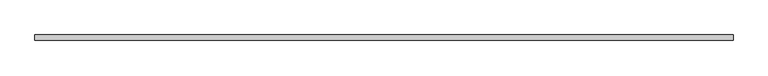
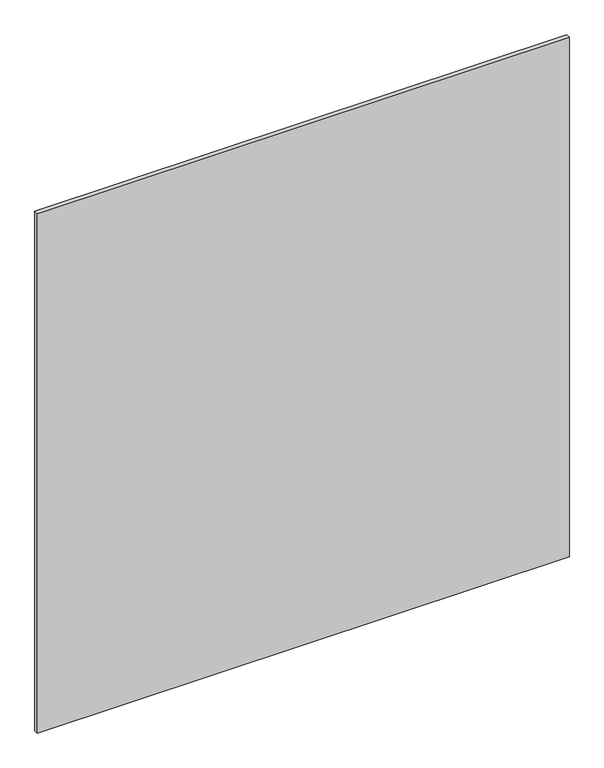
"""IFC4 building model written with IfcOpenShell, lengths in millimetres: plate geometry."""

from ifc_helpers import new_model, si_unit, origin, origin_with_axes, place, context, project, spatial, polyline, outline, extrude, source, transform, mapped, element, save


def plate_612e2a24(model_context):
    return source(origin(), model_context, "Body", "SweptSolid", [
        extrude(outline(polyline([(625.0, -20.0), (625.0, -30.0), (-625.0, -30.0), (-625.0, -20.0), (625.0, -20.0)])), origin_with_axes(), (0.0, 0.0, 1.0), 1290.0),
    ])


if __name__ == "__main__":
    model = new_model("IFC4")
    model_context = context("Model", 3, world=origin())
    ifc_project = project(units=[si_unit("LENGTHUNIT", "METRE", prefix="MILLI")], contexts=[model_context])
    site = spatial("IfcSite", under=ifc_project)
    building = spatial("IfcBuilding", under=site)
    placement = place(None, origin())
    plate_shape = plate_612e2a24(model_context)
    element("IfcPlate", 1, at=placement, inside=building, context=model_context, shape_type="MappedRepresentation", body=[
        mapped(plate_shape, transform((0.0, 0.0, 0.0), x_axis=(1.0, 0.0, 0.0), y_axis=(0.0, 1.0, 0.0), z_axis=(0.0, 0.0, 1.0))),
    ])
    save(model, "model.ifc")
